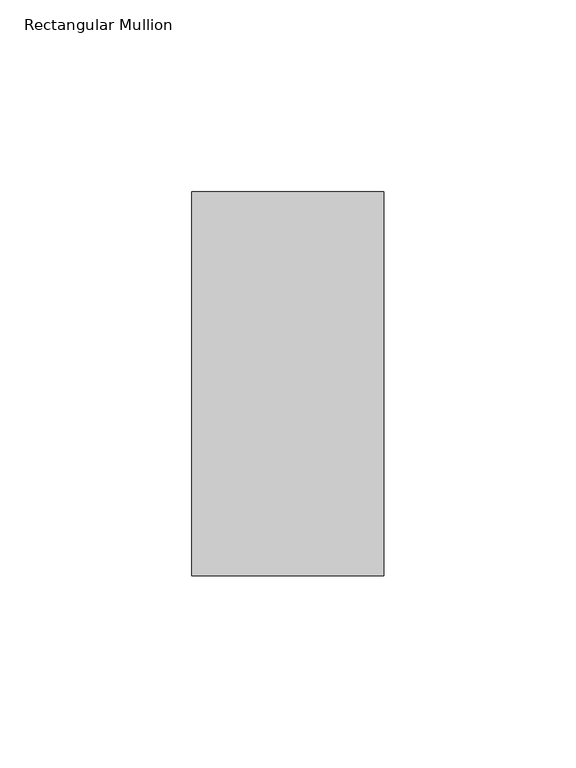
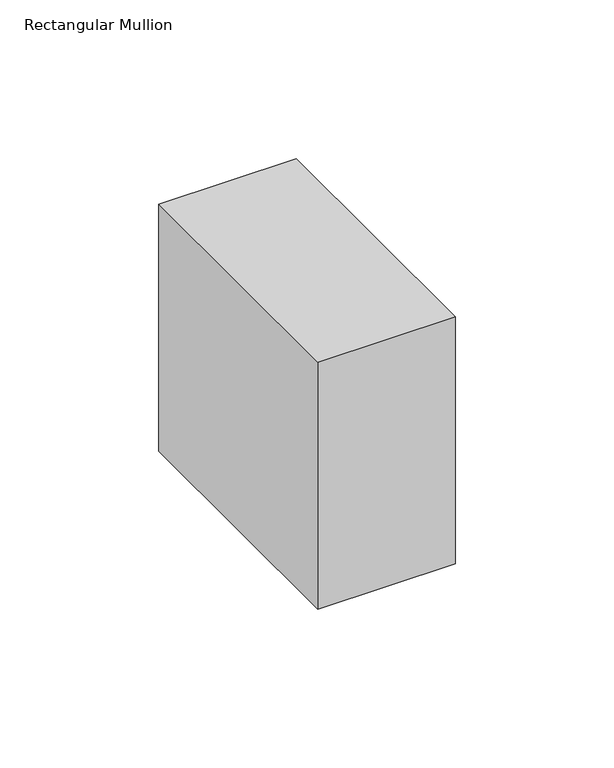
"""IFC4 building model written with IfcOpenShell, lengths in millimetres: member geometry, Rectangular Mullion."""

from ifc_helpers import new_model, si_unit, frame, origin, place, context, project, spatial, polyline, outline, extrude, source, transform, mapped, element, save


def rectangular_mullion_4f395b5f(model_context):
    return source(origin(), model_context, "Body", "SweptSolid", [
        extrude(outline(polyline([(0.0, 69.0), (0.0, -31.0), (-50.0, -31.0), (-50.0, 69.0), (0.0, 69.0)])), frame((0.0, 0.0, -95.0), z_axis=(0.0, 0.0, 1.0), x_axis=(1.0, 0.0, 0.0)), (0.0, 0.0, 1.0), 95.0),
    ])


if __name__ == "__main__":
    model = new_model("IFC4")
    model_context = context("Model", 3, world=origin())
    ifc_project = project(units=[si_unit("LENGTHUNIT", "METRE", prefix="MILLI")], contexts=[model_context])
    site = spatial("IfcSite", under=ifc_project)
    building = spatial("IfcBuilding", under=site)
    placement = place(None, origin())
    rectangular_mullion_shape = rectangular_mullion_4f395b5f(model_context)
    element("IfcMember", 1, ObjectType="Rectangular Mullion", at=placement, inside=building, context=model_context, shape_type="MappedRepresentation", body=[
        mapped(rectangular_mullion_shape, transform((0.0, 0.0, 0.0), x_axis=(1.0, 0.0, 0.0), y_axis=(0.0, 1.0, 0.0), z_axis=(0.0, 0.0, 1.0))),
    ])
    save(model, "model.ifc")
